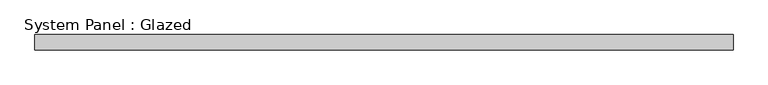
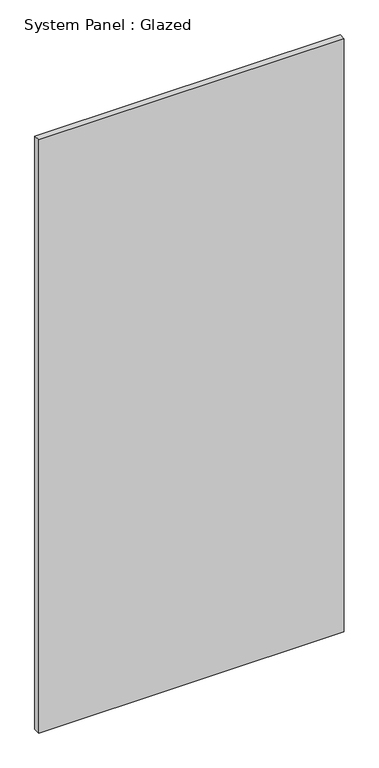
"""IFC4 building model written with IfcOpenShell, lengths in millimetres: plate geometry, System Panel : Glazed."""

from ifc_helpers import new_model, si_unit, origin, origin_with_axes, place, context, project, spatial, polyline, outline, extrude, source, transform, mapped, element, save


def system_panel_glazed_74d5e2ae(model_context):
    return source(origin(), model_context, "Body", "SweptSolid", [
        extrude(outline(polyline([(578.7229167, -44.45), (-578.7229167, -44.45), (-578.7229167, -19.05), (578.7229167, -19.05), (578.7229167, -44.45)])), origin_with_axes(), (0.0, 0.0, 1.0), 2374.9),
    ])


if __name__ == "__main__":
    model = new_model("IFC4")
    model_context = context("Model", 3, world=origin())
    ifc_project = project(units=[si_unit("LENGTHUNIT", "METRE", prefix="MILLI")], contexts=[model_context])
    site = spatial("IfcSite", under=ifc_project)
    building = spatial("IfcBuilding", under=site)
    placement = place(None, origin())
    system_panel_glazed_shape = system_panel_glazed_74d5e2ae(model_context)
    element("IfcPlate", 1, ObjectType="System Panel : Glazed", at=placement, inside=building, context=model_context, shape_type="MappedRepresentation", body=[
        mapped(system_panel_glazed_shape, transform((0.0, 0.0, 0.0), x_axis=(1.0, 0.0, 0.0), y_axis=(0.0, 1.0, 0.0), z_axis=(0.0, 0.0, 1.0))),
    ])
    save(model, "model.ifc")
